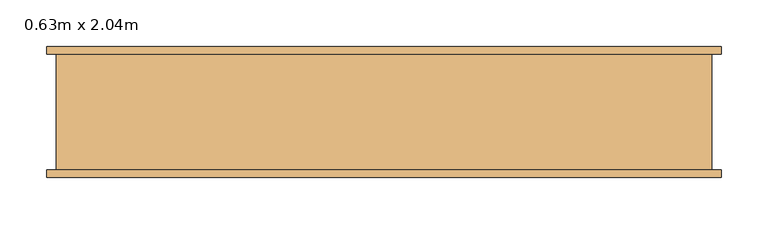
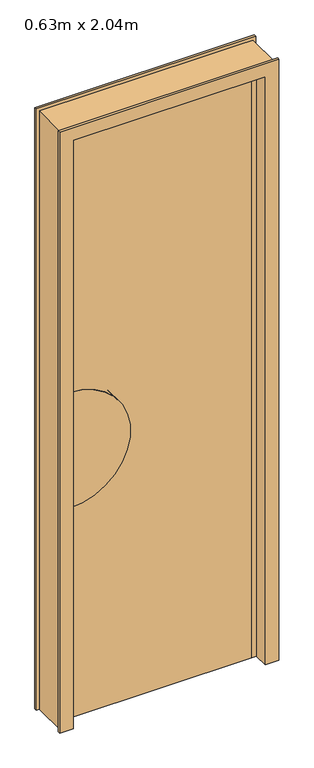
"""IFC4 building model written with IfcOpenShell, lengths in millimetres: door geometry, 0.63m x 2.04m."""

from ifc_helpers import new_model, si_unit, point, frame, frame_2d, origin, origin_with_axes, place, context, project, spatial, polyline, circle_curve, trimmed, segment, composite_curve, outline, extrude, faceted_brep, source, transform, mapped, element, save


def door_0_63m_x_2_04m_8251bb35(model_context):
    return source(origin(), model_context, "Body", "SolidModel", [
        faceted_brep([(-350.0, -62.0, 0.0), (-350.0, 62.0, 0.0), (-360.0, 62.0, 0.0), (-360.0, 70.0, 0.0), (-315.0, 70.0, 0.0), (-315.0, 20.0, 0.0), (-300.0, 20.0, 0.0), (-300.0, -20.0, 0.0), (-315.0, -20.0, 0.0), (-315.0, -70.0, 0.0), (-360.0, -70.0, 0.0), (-360.0, -62.0, 0.0), (-350.0, -62.0, 2075.0), (-350.0, 62.0, 2075.0), (350.0, 62.0, 2075.0), (350.0, 62.0, 0.0), (360.0, 62.0, 0.0), (360.0, 62.0, 2085.0), (-360.0, 62.0, 2085.0), (-360.0, 70.0, 2085.0), (360.0, 70.0, 2085.0), (360.0, 70.0, 0.0), (315.0, 70.0, 0.0), (315.0, 70.0, 2040.0), (-315.0, 70.0, 2040.0), (-315.0, 20.0, 2040.0), (315.0, 20.0, 2040.0), (315.0, 20.0, 0.0), (300.0, 20.0, 0.0), (300.0, 20.0, 2025.0), (-300.0, 20.0, 2025.0), (-300.0, -20.0, 2025.0), (300.0, -20.0, 2025.0), (300.0, -20.0, 0.0), (315.0, -20.0, 0.0), (315.0, -20.0, 2040.0), (-315.0, -20.0, 2040.0), (-315.0, -70.0, 2040.0), (315.0, -70.0, 2040.0), (315.0, -70.0, 0.0), (360.0, -70.0, 0.0), (360.0, -70.0, 2085.0), (-360.0, -70.0, 2085.0), (-360.0, -62.0, 2085.0), (360.0, -62.0, 2085.0), (360.0, -62.0, 0.0), (350.0, -62.0, 0.0), (350.0, -62.0, 2075.0)], [[[0, 1, 2, 3, 4, 5, 6, 7, 8, 9, 10, 11]], [[1, 0, 12, 13]], [[2, 1, 13, 14, 15, 16, 17, 18]], [[3, 2, 18, 19]], [[4, 3, 19, 20, 21, 22, 23, 24]], [[5, 4, 24, 25]], [[6, 5, 25, 26, 27, 28, 29, 30]], [[7, 6, 30, 31]], [[8, 7, 31, 32, 33, 34, 35, 36]], [[9, 8, 36, 37]], [[10, 9, 37, 38, 39, 40, 41, 42]], [[11, 10, 42, 43]], [[0, 11, 43, 44, 45, 46, 47, 12]], [[14, 47, 46, 15]], [[46, 45, 40, 39, 34, 33, 28, 27, 22, 21, 16, 15]], [[20, 17, 16, 21]], [[26, 23, 22, 27]], [[32, 29, 28, 33]], [[38, 35, 34, 39]], [[44, 41, 40, 45]], [[13, 12, 47, 14]], [[19, 18, 17, 20]], [[25, 24, 23, 26]], [[31, 30, 29, 32]], [[37, 36, 35, 38]], [[43, 42, 41, 44]]]),
        extrude(outline(polyline([(300.0, -20.0), (-300.0, -20.0), (-300.0, 20.0), (300.0, 20.0), (300.0, -20.0)])), origin_with_axes(), (0.0, 0.0, 1.0), 2025.0),
        extrude(outline(composite_curve([segment(polyline([(1130.0, -300.0), (730.0, -300.0)]), True, "CONTINUOUS"), segment(trimmed(circle_curve(frame_2d((930.0, -300.0)), 200.0), [point((730.0, -300.0))], [point((1130.0, -300.0))], False, "CARTESIAN"), True, "CONTINUOUS")], self_intersect=False)), frame((0.0, 20.0, 0.0), z_axis=(0.0, 1.0, 0.0), x_axis=(0.0, 0.0, 1.0)), (0.0, 0.0, 1.0), 2.0),
        extrude(outline(composite_curve([segment(trimmed(circle_curve(frame_2d((930.0, -300.0)), 200.0), [point((730.0, -300.0))], [point((1130.0, -300.0))], False, "CARTESIAN"), True, "CONTINUOUS"), segment(polyline([(1130.0, -300.0), (730.0, -300.0)]), True, "CONTINUOUS")], self_intersect=False)), frame((0.0, -22.0, 0.0), z_axis=(0.0, 1.0, 0.0), x_axis=(0.0, 0.0, 1.0)), (0.0, 0.0, 1.0), 2.0),
    ])


if __name__ == "__main__":
    model = new_model("IFC4")
    model_context = context("Model", 3, world=origin())
    ifc_project = project(units=[si_unit("LENGTHUNIT", "METRE", prefix="MILLI")], contexts=[model_context])
    site = spatial("IfcSite", under=ifc_project)
    building = spatial("IfcBuilding", under=site)
    placement = place(None, origin())
    door_0_63m_x_2_04m_shape = door_0_63m_x_2_04m_8251bb35(model_context)
    element("IfcDoor", 1, ObjectType="0.63m x 2.04m", at=placement, inside=building, context=model_context, shape_type="MappedRepresentation", body=[
        mapped(door_0_63m_x_2_04m_shape, transform((0.0, 0.0, 0.0), x_axis=(1.0, 0.0, 0.0), y_axis=(0.0, 1.0, 0.0), z_axis=(0.0, 0.0, 1.0))),
    ])
    save(model, "model.ifc")
